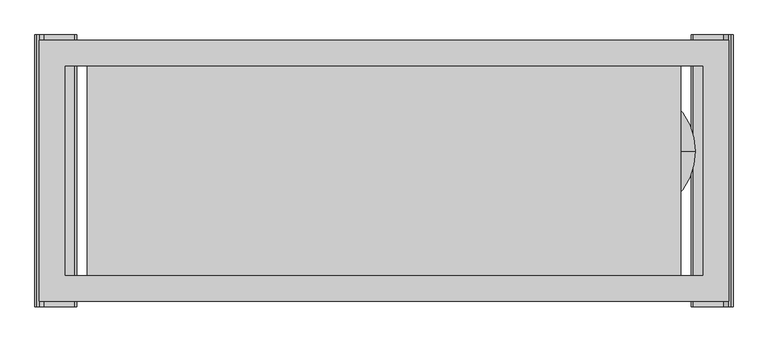
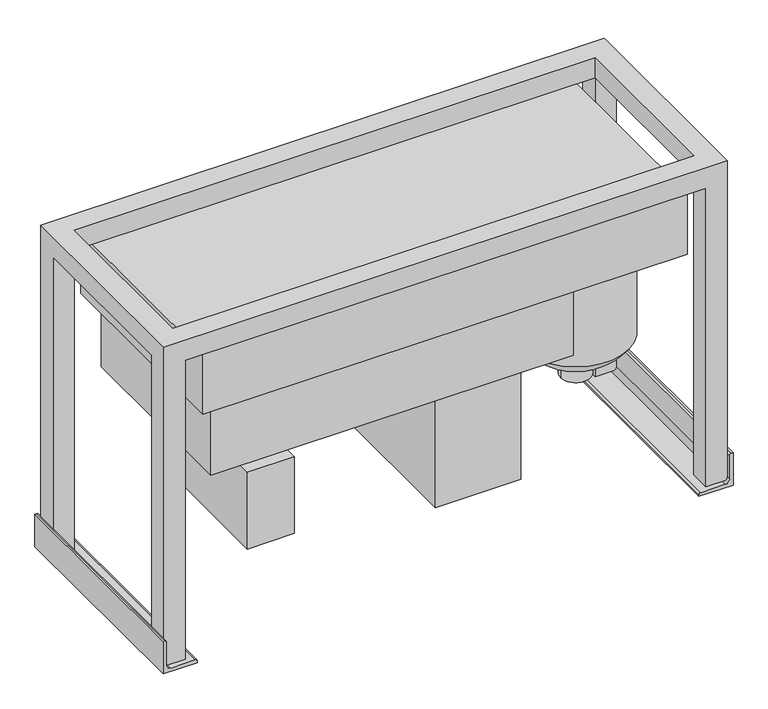
"""IFC4 building model written with IfcOpenShell, lengths in millimetres: proxy geometry."""

from ifc_helpers import new_model, si_unit, point, frame, frame_2d, origin, place, context, project, spatial, polyline, circle_curve, ellipse_curve, trimmed, segment, composite_curve, outline, extrude, faceted_brep, source, transform, mapped, element, save
from ifc_brep_helpers import plane_surface, cylinder_surface, revolved_surface, advanced_brep


def generic_models_d2003e5b(model_context):
    return source(origin(), model_context, "Body", "SolidModel", [
        extrude(outline(polyline([(235.5, 222.5), (235.5, -147.5), (35.5, -147.5), (35.5, 222.5), (235.5, 222.5)])), frame((0.0, 0.0, 97.0), z_axis=(0.0, 0.0, 1.0), x_axis=(1.0, 0.0, 0.0)), (0.0, 0.0, 1.0), 325.0),
        extrude(outline(polyline([(-354.5, -250.0), (-464.5, -250.0), (-464.5, 0.0), (-354.5, 0.0), (-354.5, -250.0)])), frame((0.0, 0.0, 232.0), z_axis=(0.0, 0.0, 1.0), x_axis=(1.0, 0.0, 0.0)), (0.0, 0.0, 1.0), 190.0),
        extrude(outline(polyline([(315.5, -222.5), (-534.5, -222.5), (-534.5, 222.5), (315.5, 222.5), (315.5, -222.5)])), frame((0.0, 0.0, 422.0), z_axis=(0.0, 0.0, 1.0), x_axis=(1.0, 0.0, 0.0)), (0.0, 0.0, 1.0), 178.0),
        advanced_brep(
        [(595.5, 37.5, 269.0843802), (345.5, 37.5, 269.0843802), (345.5, 37.5, 567.0), (595.5, 37.5, 567.0), (505.5, 37.5, 206.1404785), (435.5, 37.5, 206.1404785), (505.5, 37.5, 167.0), (435.5, 37.5, 167.0), (470.5, 37.5, 167.0), (470.5, 37.5, 567.0)],
        [
            (0, 1, circle_curve(frame((470.5, 37.5, 269.0843802), z_axis=(0.0, 0.0, 1.0), x_axis=(-1.0, 0.0, 0.0)), 125.0)),
            (1, 2),
            (2, 3, circle_curve(frame((470.5, 37.5, 567.0), z_axis=(0.0, 0.0, -1.0), x_axis=(-1.0, 0.0, 0.0)), 125.0)),
            (3, 0),
            (1, 0, circle_curve(frame((470.5, 37.5, 269.0843802), z_axis=(0.0, 0.0, 1.0), x_axis=(-1.0, 0.0, 0.0)), 125.0)),
            (3, 2, circle_curve(frame((470.5, 37.5, 567.0), z_axis=(0.0, 0.0, -1.0), x_axis=(-1.0, 0.0, 0.0)), 125.0)),
            (4, 5, circle_curve(frame((470.5, 37.5, 206.1404785), z_axis=(0.0, 0.0, 1.0), x_axis=(-1.0, 0.0, 0.0)), 35.0)),
            (5, 1, circle_curve(frame((470.5, 37.5, 352.0), z_axis=(0.0, 1.0, 0.0), x_axis=(1.0, 0.0, 0.0)), 150.0)),
            (0, 4, circle_curve(frame((470.5, 37.5, 352.0), z_axis=(0.0, 1.0, 0.0), x_axis=(-1.0, 0.0, 0.0)), 150.0)),
            (5, 4, circle_curve(frame((470.5, 37.5, 206.1404785), z_axis=(0.0, 0.0, 1.0), x_axis=(-1.0, 0.0, 0.0)), 35.0)),
            (6, 7, circle_curve(frame((470.5, 37.5, 167.0), z_axis=(0.0, 0.0, 1.0), x_axis=(-1.0, 0.0, 0.0)), 35.0)),
            (7, 5),
            (4, 6),
            (7, 6, circle_curve(frame((470.5, 37.5, 167.0), z_axis=(0.0, 0.0, 1.0), x_axis=(-1.0, 0.0, 0.0)), 35.0)),
            (8, 7),
            (6, 8),
            (2, 9),
            (9, 3),
        ],
        [
            cylinder_surface(frame((470.5, 37.5, 610.0), z_axis=(0.0, 0.0, -1.0), x_axis=(-1.0, 0.0, 0.0)), 125.0),
            revolved_surface(trimmed(ellipse_curve(frame((470.5, 37.5, 352.0), z_axis=(0.0, -1.0, 0.0), x_axis=(1.0, 0.0, 0.0)), 150.0, 150.0), [point((345.5, 37.5, 269.0843802))], [point((435.5, 37.5, 206.1404785))], True, "CARTESIAN"), (470.5, 37.5, 610.0), (0.0, 0.0, -1.0)),
            cylinder_surface(frame((470.5, 37.5, 610.0), z_axis=(0.0, 0.0, -1.0), x_axis=(-1.0, 0.0, 0.0)), 35.0),
            plane_surface(frame((470.5, 37.5, 167.0), z_axis=(0.0, 0.0, -1.0), x_axis=(-1.0, 0.0, 0.0))),
            plane_surface(frame((470.5, 37.5, 567.0), z_axis=(0.0, 0.0, 1.0), x_axis=(-1.0, 0.0, 0.0))),
        ],
        [
            (0, [[1, 2, 3, 4]]),
            (0, [[5, -4, 6, -2]]),
            (1, [[7, 8, -1, 9]]),
            (1, [[10, -9, -5, -8]]),
            (2, [[11, 12, -7, 13]]),
            (2, [[14, -13, -10, -12]]),
            (3, [[15, -11, 16]]),
            (3, [[-16, -14, -15]]),
            (4, [[-3, 17, 18]]),
            (4, [[-6, -18, -17]]),
        ],
    ),
        extrude(outline(polyline([(567.5, -247.5), (-567.5, -247.5), (-567.5, 247.5), (567.5, 247.5), (567.5, -247.5)])), frame((0.0, 0.0, 600.0), z_axis=(0.0, 0.0, 1.0), x_axis=(1.0, 0.0, 0.0)), (0.0, 0.0, 1.0), 150.0),
        faceted_brep([(-660.0, -250.0, 10.0), (-610.0, -250.0, 10.0), (-610.0, -250.0, 750.0), (610.0, -250.0, 750.0), (610.0, -250.0, 10.0), (660.0, -250.0, 10.0), (660.0, -250.0, 800.0), (-660.0, -250.0, 800.0), (-610.0, 250.0, 750.0), (-610.0, 250.0, 10.0), (-660.0, 250.0, 10.0), (-660.0, 250.0, 800.0), (660.0, 250.0, 800.0), (660.0, 250.0, 10.0), (610.0, 250.0, 10.0), (610.0, 250.0, 750.0), (610.0, -200.0, 800.0), (-610.0, -200.0, 800.0), (-610.0, 200.0, 800.0), (610.0, 200.0, 800.0), (-660.0, 200.0, 10.0), (-660.0, 200.0, 750.0), (-660.0, -200.0, 750.0), (-660.0, -200.0, 10.0), (-610.0, -200.0, 750.0), (610.0, -200.0, 750.0), (-610.0, 200.0, 750.0), (610.0, 200.0, 750.0), (660.0, 200.0, 750.0), (660.0, -200.0, 750.0), (-610.0, -200.0, 10.0), (-610.0, 200.0, 10.0), (660.0, -200.0, 10.0), (660.0, 200.0, 10.0), (610.0, -200.0, 10.0), (610.0, 200.0, 10.0)], [[[0, 1, 2, 3, 4, 5, 6, 7]], [[8, 9, 10, 11, 12, 13, 14, 15]], [[11, 7, 6, 12], [16, 17, 18, 19]], [[7, 11, 10, 20, 21, 22, 23, 0]], [[24, 25, 3, 2]], [[24, 22, 21, 26]], [[27, 26, 8, 15]], [[25, 27, 28, 29]], [[17, 24, 26, 18]], [[25, 24, 17, 16]], [[24, 30, 23, 22]], [[1, 0, 23, 30]], [[2, 1, 30, 24]], [[19, 18, 26, 27]], [[21, 20, 31, 26]], [[10, 9, 31, 20]], [[9, 8, 26, 31]], [[27, 25, 16, 19]], [[13, 12, 6, 5, 32, 29, 28, 33]], [[29, 32, 34, 25]], [[5, 4, 34, 32]], [[4, 3, 25, 34]], [[27, 35, 33, 28]], [[14, 13, 33, 35]], [[15, 14, 35, 27]]]),
        extrude(outline(composite_curve([segment(polyline([(0.0, 668.0), (80.0, 668.0), (80.0, 664.0)]), True, "CONTINUOUS"), segment(trimmed(circle_curve(frame_2d((76.0, 664.0)), 4.0), [point((80.0, 664.0))], [point((76.0, 660.0))], False, "CARTESIAN"), True, "CONTINUOUS"), segment(polyline([(76.0, 660.0), (18.0, 660.0)]), True, "CONTINUOUS"), segment(trimmed(circle_curve(frame_2d((18.0, 650.0)), 10.0), [point((18.0, 660.0))], [point((8.0, 650.0))], True, "CARTESIAN"), True, "CONTINUOUS"), segment(polyline([(8.0, 650.0), (8.0, 592.0)]), True, "CONTINUOUS"), segment(trimmed(circle_curve(frame_2d((4.0, 592.0)), 4.0), [point((8.0, 592.0))], [point((4.0, 588.0))], False, "CARTESIAN"), True, "CONTINUOUS"), segment(polyline([(4.0, 588.0), (0.0, 588.0), (0.0, 668.0)]), True, "CONTINUOUS")], self_intersect=False)), frame((0.0, -260.0, 0.0), z_axis=(0.0, 1.0, 0.0), x_axis=(0.0, 0.0, 1.0)), (0.0, 0.0, 1.0), 520.0),
        extrude(outline(composite_curve([segment(polyline([(0.0, -668.0), (0.0, -588.0), (4.0, -588.0)]), True, "CONTINUOUS"), segment(trimmed(circle_curve(frame_2d((4.0, -592.0)), 4.0), [point((4.0, -588.0))], [point((8.0, -592.0))], False, "CARTESIAN"), True, "CONTINUOUS"), segment(polyline([(8.0, -592.0), (8.0, -650.0)]), True, "CONTINUOUS"), segment(trimmed(circle_curve(frame_2d((18.0, -650.0)), 10.0), [point((8.0, -650.0))], [point((18.0, -660.0))], True, "CARTESIAN"), True, "CONTINUOUS"), segment(polyline([(18.0, -660.0), (76.0, -660.0)]), True, "CONTINUOUS"), segment(trimmed(circle_curve(frame_2d((76.0, -664.0)), 4.0), [point((76.0, -660.0))], [point((80.0, -664.0))], False, "CARTESIAN"), True, "CONTINUOUS"), segment(polyline([(80.0, -664.0), (80.0, -668.0), (0.0, -668.0)]), True, "CONTINUOUS")], self_intersect=False)), frame((0.0, -260.0, 0.0), z_axis=(0.0, 1.0, 0.0), x_axis=(0.0, 0.0, 1.0)), (0.0, 0.0, 1.0), 520.0),
    ])


if __name__ == "__main__":
    model = new_model("IFC4")
    model_context = context("Model", 3, world=origin())
    ifc_project = project(units=[si_unit("LENGTHUNIT", "METRE", prefix="MILLI")], contexts=[model_context])
    site = spatial("IfcSite", under=ifc_project)
    building = spatial("IfcBuilding", under=site)
    placement = place(None, origin())
    generic_models_shape = generic_models_d2003e5b(model_context)
    element("IfcBuildingElementProxy", 1, Name="Generic Models", at=placement, inside=building, context=model_context, shape_type="MappedRepresentation", body=[
        mapped(generic_models_shape, transform((0.0, 0.0, 0.0), x_axis=(1.0, 0.0, 0.0), y_axis=(0.0, 1.0, 0.0), z_axis=(0.0, 0.0, 1.0))),
    ])
    save(model, "model.ifc")
